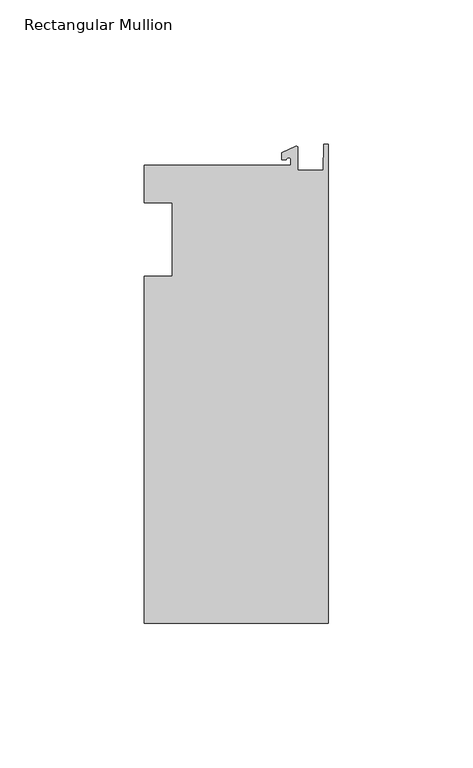
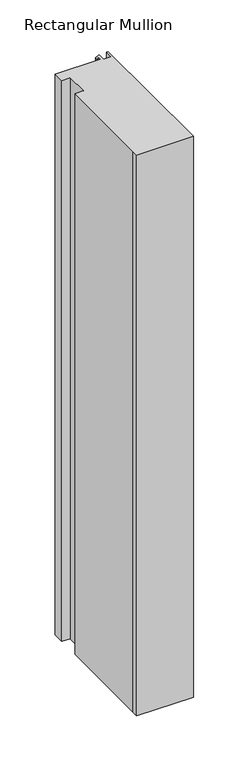
"""IFC4 building model written with IfcOpenShell, lengths in millimetres: member geometry, Rectangular Mullion."""

from ifc_helpers import new_model, si_unit, point, frame, frame_2d, origin, place, context, project, spatial, polyline, circle_curve, trimmed, segment, composite_curve, outline, extrude, source, transform, mapped, element, save


def rectangular_mullion_036ec0ac(model_context):
    return source(origin(), model_context, "Body", "SweptSolid", [
        extrude(outline(composite_curve([segment(polyline([(-12.8216721, 25.5984375), (-12.8216721, 27.5208534)]), True, "CONTINUOUS"), segment(trimmed(circle_curve(frame_2d((-13.6154221, 27.5208534)), 0.79375), [point((-12.8216721, 27.5208534))], [point((-14.4091721, 27.5208534))], True, "CARTESIAN"), True, "CONTINUOUS"), segment(polyline([(-14.4091721, 27.5208534), (-15.9966721, 27.5208534), (-15.9966721, 29.8830527), (-11.1567622, 32.1399398)]), True, "CONTINUOUS"), segment(trimmed(circle_curve(frame_2d((-10.9420721, 31.6795354)), 0.508), [point((-11.1567622, 32.1399398))], [point((-10.4340721, 31.6795354))], False, "CARTESIAN"), True, "CONTINUOUS"), segment(polyline([(-10.4340721, 31.6795354), (-10.4340721, 23.9227662), (-1.7144124, 23.9227662), (-1.5566453, 32.810012), (0.0, 32.810012), (0.0, -132.822512), (-63.5, -132.822512), (-63.5, -125.075512), (-63.5, -12.7), (-53.975, -12.7), (-53.975, 12.7), (-63.5, 12.7), (-63.5, 25.5984375), (-12.8216721, 25.5984375)]), True, "CONTINUOUS")], self_intersect=False)), frame((0.0, 0.0, -664.216413), z_axis=(0.0, 0.0, 1.0), x_axis=(1.0, 0.0, 0.0)), (0.0, 0.0, 1.0), 664.216413),
    ])


if __name__ == "__main__":
    model = new_model("IFC4")
    model_context = context("Model", 3, world=origin())
    ifc_project = project(units=[si_unit("LENGTHUNIT", "METRE", prefix="MILLI")], contexts=[model_context])
    site = spatial("IfcSite", under=ifc_project)
    building = spatial("IfcBuilding", under=site)
    placement = place(None, origin())
    rectangular_mullion_shape = rectangular_mullion_036ec0ac(model_context)
    element("IfcMember", 1, ObjectType="Rectangular Mullion", at=placement, inside=building, context=model_context, shape_type="MappedRepresentation", body=[
        mapped(rectangular_mullion_shape, transform((0.0, 0.0, 0.0), x_axis=(1.0, 0.0, 0.0), y_axis=(0.0, 1.0, 0.0), z_axis=(0.0, 0.0, 1.0))),
    ])
    save(model, "model.ifc")
